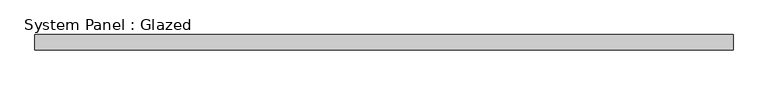
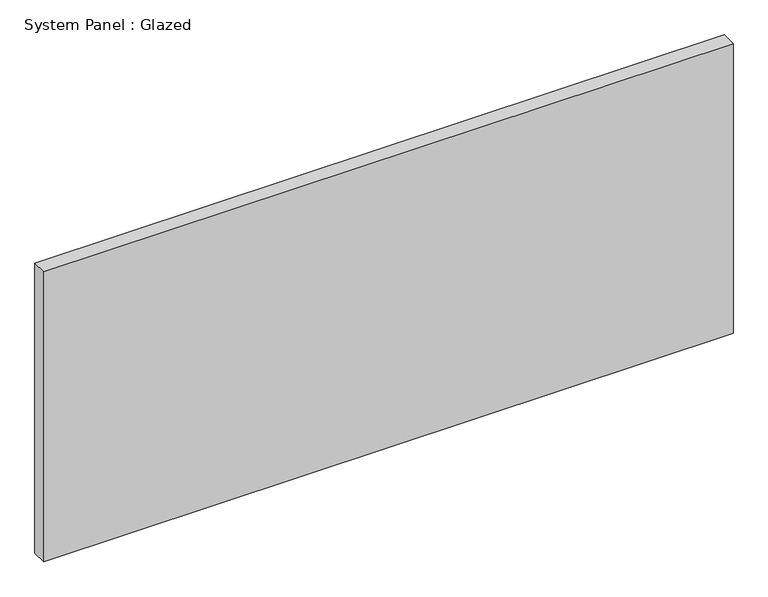
"""IFC4 building model written with IfcOpenShell, lengths in millimetres: plate geometry, System Panel : Glazed."""

from ifc_helpers import new_model, si_unit, origin, origin_with_axes, place, context, project, spatial, polyline, outline, extrude, source, transform, mapped, element, save


def system_panel_glazed_99652d6a(model_context):
    return source(origin(), model_context, "Body", "SweptSolid", [
        extrude(outline(polyline([(578.64375, -44.45), (-578.64375, -44.45), (-578.64375, -19.05), (578.64375, -19.05), (578.64375, -44.45)])), origin_with_axes(), (0.0, 0.0, 1.0), 514.35),
    ])


if __name__ == "__main__":
    model = new_model("IFC4")
    model_context = context("Model", 3, world=origin())
    ifc_project = project(units=[si_unit("LENGTHUNIT", "METRE", prefix="MILLI")], contexts=[model_context])
    site = spatial("IfcSite", under=ifc_project)
    building = spatial("IfcBuilding", under=site)
    placement = place(None, origin())
    system_panel_glazed_shape = system_panel_glazed_99652d6a(model_context)
    element("IfcPlate", 1, ObjectType="System Panel : Glazed", at=placement, inside=building, context=model_context, shape_type="MappedRepresentation", body=[
        mapped(system_panel_glazed_shape, transform((0.0, 0.0, 0.0), x_axis=(1.0, 0.0, 0.0), y_axis=(0.0, 1.0, 0.0), z_axis=(0.0, 0.0, 1.0))),
    ])
    save(model, "model.ifc")
